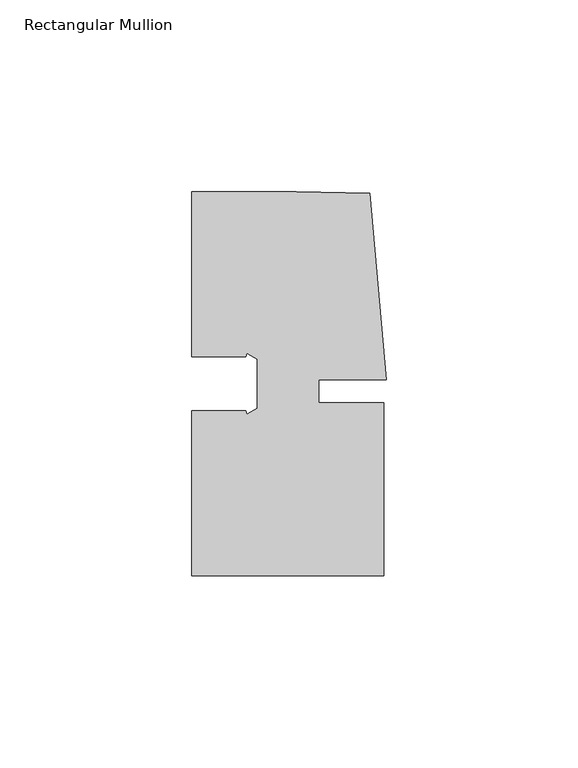
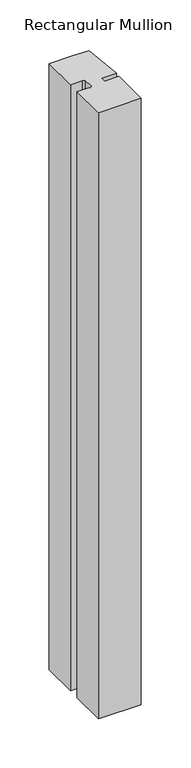
"""IFC4 building model written with IfcOpenShell, lengths in millimetres: member geometry, Rectangular Mullion."""

import ifcopenshell
import ifcopenshell.guid

model = None  # the IFC model being written
_history = None  # IfcOwnerHistory: only IFC2X3 demands one
_inside = {}  # id of a spatial element -> (the spatial element, [elements in it])
_under = {}  # id of a project, library or spatial element -> (it, [spatial elements below it])
_declared = {}  # id of a project -> (the project, [libraries it declares])
_typed = {}  # id of a type object -> (the type object, [elements of that type])
_made_of = {}  # id of a material, layer set ... -> (it, [elements and type objects made of it])


def new_model(schema):
    """Start an empty IFC model of exactly this schema.

    Asked for "IFC4X3", IfcOpenShell would pick the latest addendum, in which some entities
    have other attributes; the version numbers below select the first issue.
    IFC2X3 requires an IfcOwnerHistory on every rooted entity: one is made here for all.
    """
    global model, _history
    if schema == "IFC4X3":
        model = ifcopenshell.file(schema_version=(4, 3, 0, 0))
    else:
        model = ifcopenshell.file(schema=schema)
    _inside.clear()
    _under.clear()
    _declared.clear()
    _typed.clear()
    _made_of.clear()
    _history = None
    if model.schema == "IFC2X3":
        org = make("IfcOrganization", Name="unknown")
        user = make(
            "IfcPersonAndOrganization",
            ThePerson=make("IfcPerson", FamilyName="unknown"),
            TheOrganization=org,
        )
        app = make(
            "IfcApplication",
            ApplicationDeveloper=org,
            Version="unknown",
            ApplicationFullName="unknown",
            ApplicationIdentifier="unknown",
        )
        _history = make(
            "IfcOwnerHistory",
            OwningUser=user,
            OwningApplication=app,
            ChangeAction="ADDED",
            CreationDate=0,
        )
    return model


def make(cls, **values):
    """One entity of the class cls with the attributes given. An attribute that is None is left unset."""
    return model.create_entity(
        cls, **{name: value for name, value in values.items() if value is not None}
    )


def rooted(cls, **values):
    """An entity with a GlobalId (a new one), such as an element, a storey or a relation."""
    return make(cls, GlobalId=ifcopenshell.guid.new(), OwnerHistory=_history, **values)


def si_unit(unit_type, name, prefix=None):
    """IfcSIUnit, for example si_unit("LENGTHUNIT", "METRE", prefix="MILLI")."""
    return make("IfcSIUnit", UnitType=unit_type, Prefix=prefix, Name=name)


def assignment(units):
    """IfcUnitAssignment: the units of a project."""
    return None if units is None else make("IfcUnitAssignment", Units=units)


def point(xyz):
    """IfcCartesianPoint."""
    return None if xyz is None else make("IfcCartesianPoint", Coordinates=xyz)


def direction(xyz):
    """IfcDirection."""
    return None if xyz is None else make("IfcDirection", DirectionRatios=xyz)


def frame(location, z_axis=None, x_axis=None):
    """IfcAxis2Placement3D, a coordinate frame: its origin and axes. An axis left out is left unset."""
    return make(
        "IfcAxis2Placement3D",
        Location=point(location),
        Axis=direction(z_axis),
        RefDirection=direction(x_axis),
    )


def origin():
    """The frame at (0, 0, 0) with its axes left unset."""
    return frame((0.0, 0.0, 0.0))


def place(relative_to, where):
    """IfcLocalPlacement: puts the frame where relative to a parent placement (None: the world)."""
    return make(
        "IfcLocalPlacement", PlacementRelTo=relative_to, RelativePlacement=where
    )


def context(
    kind, dimensions, precision=None, world=None, true_north=None, identifier=None
):
    """IfcGeometricRepresentationContext, for example the 3D "Model" context."""
    return make(
        "IfcGeometricRepresentationContext",
        ContextIdentifier=identifier,
        ContextType=kind,
        CoordinateSpaceDimension=dimensions,
        Precision=precision,
        WorldCoordinateSystem=world,
        TrueNorth=true_north,
    )


def project(units=None, contexts=None):
    """IfcProject with its units and contexts."""
    return rooted(
        "IfcProject",
        Name="project",
        RepresentationContexts=contexts,
        UnitsInContext=assignment(units),
    )


def spatial(cls, under=None, at=None, **own):
    """A site, building, storey or space (cls), placed at a placement, below another one or the project."""
    s = rooted(cls, ObjectPlacement=at, **own)
    if under is not None:
        _under.setdefault(under.id(), (under, []))[1].append(s)
    return s


def polyline(points):
    """IfcPolyline through the points."""
    return make("IfcPolyline", Points=[point(p) for p in points])


def outline(outer, holes=None, kind="AREA"):
    """IfcArbitraryClosedProfileDef: a profile drawn as a closed curve; with holes, ...WithVoids."""
    if holes is None:
        return make("IfcArbitraryClosedProfileDef", ProfileType=kind, OuterCurve=outer)
    return make(
        "IfcArbitraryProfileDefWithVoids",
        ProfileType=kind,
        OuterCurve=outer,
        InnerCurves=holes,
    )


def extrude(swept, where, along, depth):
    """IfcExtrudedAreaSolid: the profile swept, set in the frame where, extruded along a direction by depth."""
    return make(
        "IfcExtrudedAreaSolid",
        SweptArea=swept,
        Position=where,
        ExtrudedDirection=direction(along),
        Depth=depth,
    )


def shape(context_of_items, identifier, shape_type, items):
    """IfcShapeRepresentation: the items that make up one representation, for example the "Body"."""
    return make(
        "IfcShapeRepresentation",
        ContextOfItems=context_of_items,
        RepresentationIdentifier=identifier,
        RepresentationType=shape_type,
        Items=items,
    )


def source(mapping_origin, context_of_items, identifier, shape_type, items):
    """IfcRepresentationMap: a shape defined once, which mapped items show again and again."""
    return make(
        "IfcRepresentationMap",
        MappingOrigin=mapping_origin,
        MappedRepresentation=shape(context_of_items, identifier, shape_type, items),
    )


def transform(
    local_origin,
    x_axis=None,
    y_axis=None,
    z_axis=None,
    scale=None,
    scale2=None,
    scale3=None,
    uniform=True,
):
    """IfcCartesianTransformationOperator3D, or its non-uniform kind. x_axis, y_axis, z_axis: its Axis1, 2, 3."""
    if uniform:
        return make(
            "IfcCartesianTransformationOperator3D",
            Axis1=direction(x_axis),
            Axis2=direction(y_axis),
            LocalOrigin=point(local_origin),
            Scale=scale,
            Axis3=direction(z_axis),
        )
    return make(
        "IfcCartesianTransformationOperator3DnonUniform",
        Axis1=direction(x_axis),
        Axis2=direction(y_axis),
        LocalOrigin=point(local_origin),
        Scale=scale,
        Axis3=direction(z_axis),
        Scale2=scale2,
        Scale3=scale3,
    )


def mapped(mapping_source, mapping_target):
    """IfcMappedItem: shows the shape of a source again, moved by a transform."""
    return make(
        "IfcMappedItem", MappingSource=mapping_source, MappingTarget=mapping_target
    )


def made_of(thing, what):
    """Note that an element or type object is made of a material, layer set ...; save() writes the relation."""
    if what is not None:
        _made_of.setdefault(what.id(), (what, []))[1].append(thing)
    return thing


def element(
    cls,
    number,
    at=None,
    inside=None,
    cuts=None,
    type_object=None,
    material=None,
    context=None,
    identifier="Body",
    shape_type=None,
    held_by="IfcProductDefinitionShape",
    body=None,
    shapes=None,
    **own,
):
    """One element of the class cls, such as IfcWall. Its Tag is "e" and its number.

    at: its placement. inside: the storey or other place that contains it. cuts: it is an
    opening in that element (IfcRelVoidsElement). A single representation is given by context,
    identifier, shape_type and body (its items); several are given by shapes. held_by: the class
    of the entity that holds the representations. save() writes the other relations.
    """
    e = rooted(cls, Tag="e%d" % number, ObjectPlacement=at, **own)
    if body is not None:
        shapes = [shape(context, identifier, shape_type, body)]
    if shapes is not None:
        e.Representation = make(held_by, Representations=shapes)
    if inside is not None:
        _inside.setdefault(inside.id(), (inside, []))[1].append(e)
    if cuts is not None:
        rooted(
            "IfcRelVoidsElement", RelatingBuildingElement=cuts, RelatedOpeningElement=e
        )
    if type_object is not None:
        _typed.setdefault(type_object.id(), (type_object, []))[1].append(e)
    return made_of(e, material)


def aggregate(whole, parts):
    """IfcRelAggregates: a whole, such as a stair, and the parts it consists of."""
    return rooted("IfcRelAggregates", RelatingObject=whole, RelatedObjects=parts)


def save(model, path):
    """Write the relations noted so far, then the file.

    IfcRelAggregates (storeys below a building ...), IfcRelContainedInSpatialStructure (elements
    in a storey), IfcRelDefinesByType, IfcRelAssociatesMaterial and IfcRelDeclares: one each for
    every whole, place, type object, material and project.
    """
    for whole, parts in _under.values():
        aggregate(whole, parts)
    for where, things in _inside.values():
        rooted(
            "IfcRelContainedInSpatialStructure",
            RelatedElements=things,
            RelatingStructure=where,
        )
    for kind, things in _typed.values():
        rooted("IfcRelDefinesByType", RelatedObjects=things, RelatingType=kind)
    for what, things in _made_of.values():
        rooted("IfcRelAssociatesMaterial", RelatedObjects=things, RelatingMaterial=what)
    for by, libraries in _declared.values():
        rooted("IfcRelDeclares", RelatingContext=by, RelatedDefinitions=libraries)
    model.write(path)


def rectangular_mullion_047ed0ad(model_context):
    return source(origin(), model_context, "Body", "SweptSolid", [
        extrude(outline(polyline([(8.0004917, -3.0000287), (25.00003, -3.0000271), (25.0000344, -48.0000271), (-24.9999656, -48.000032), (-24.9999698, -5.000032), (-10.9999682, -5.000032), (-10.732019, -6.000032), (-7.9499712, -4.3938159), (-7.9499712, 8.3937819), (-10.732019, 9.999998), (-10.9999763, 8.999968), (-24.9999712, 8.999968), (-24.9999754, 51.999968), (2.2554581, 51.9999707), (21.3623265, 51.5846059), (25.6129344, 2.9999903), (8.0004911, 2.9999885), (8.0004917, -3.0000287)])), frame((0.0, 0.0, -749.999978), z_axis=(0.0, 0.0, 1.0), x_axis=(1.0, 0.0, 0.0)), (0.0, 0.0, 1.0), 749.999978),
    ])


if __name__ == "__main__":
    model = new_model("IFC4")
    model_context = context("Model", 3, world=origin())
    ifc_project = project(units=[si_unit("LENGTHUNIT", "METRE", prefix="MILLI")], contexts=[model_context])
    site = spatial("IfcSite", under=ifc_project)
    building = spatial("IfcBuilding", under=site)
    placement = place(None, origin())
    rectangular_mullion_shape = rectangular_mullion_047ed0ad(model_context)
    element("IfcMember", 1, ObjectType="Rectangular Mullion", at=placement, inside=building, context=model_context, shape_type="MappedRepresentation", body=[
        mapped(rectangular_mullion_shape, transform((0.0, 0.0, 0.0), x_axis=(1.0, 0.0, 0.0), y_axis=(0.0, 1.0, 0.0), z_axis=(0.0, 0.0, 1.0))),
    ])
    save(model, "model.ifc")
